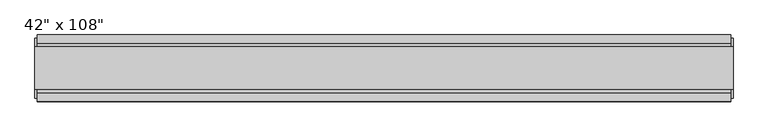
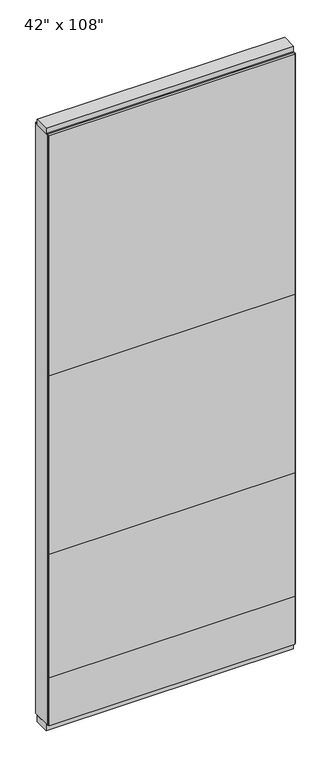
"""IFC4 building model written with IfcOpenShell, lengths in millimetres: furniture geometry."""

from ifc_helpers import new_model, si_unit, frame, origin, origin_with_axes, place, context, project, spatial, polyline, outline, extrude, source, transform, mapped, element, save


def furniture_0f782bee(model_context):
    return source(origin(), model_context, "Body", "SweptSolid", [
        extrude(outline(polyline([(469.4264771, 46.2822784), (469.4264771, 33.5822784), (-589.4995229, 33.5822784), (-589.4995229, 46.2822784), (469.4264771, 46.2822784)])), frame((0.0, 0.0, 1625.6), z_axis=(0.0, 0.0, 1.0), x_axis=(1.0, 0.0, 0.0)), (0.0, 0.0, 1.0), 1092.2),
        extrude(outline(polyline([(469.4264771, 46.2822784), (469.4264771, 33.5822784), (-589.4995229, 33.5822784), (-589.4995229, 46.2822784), (469.4264771, 46.2822784)])), frame((0.0, 0.0, 812.8), z_axis=(0.0, 0.0, 1.0), x_axis=(1.0, 0.0, 0.0)), (0.0, 0.0, 1.0), 812.8),
        extrude(outline(polyline([(469.4264771, 46.2822784), (469.4264771, 33.5822784), (-589.4995229, 33.5822784), (-589.4995229, 46.2822784), (469.4264771, 46.2822784)])), frame((0.0, 0.0, 249.936), z_axis=(0.0, 0.0, 1.0), x_axis=(1.0, 0.0, 0.0)), (0.0, 0.0, 1.0), 562.864),
        extrude(outline(polyline([(469.4264771, -55.3177216), (-589.4995229, -55.3177216), (-589.4995229, -42.6177216), (469.4264771, -42.6177216), (469.4264771, -55.3177216)])), frame((0.0, 0.0, 1625.6), z_axis=(0.0, 0.0, 1.0), x_axis=(1.0, 0.0, 0.0)), (0.0, 0.0, 1.0), 1092.2),
        extrude(outline(polyline([(469.4264771, -55.3177216), (-589.4995229, -55.3177216), (-589.4995229, -42.6177216), (469.4264771, -42.6177216), (469.4264771, -55.3177216)])), frame((0.0, 0.0, 812.8), z_axis=(0.0, 0.0, 1.0), x_axis=(1.0, 0.0, 0.0)), (0.0, 0.0, 1.0), 812.8),
        extrude(outline(polyline([(469.4264771, -55.3177216), (-589.4995229, -55.3177216), (-589.4995229, -42.6177216), (469.4264771, -42.6177216), (469.4264771, -55.3177216)])), frame((0.0, 0.0, 249.936), z_axis=(0.0, 0.0, 1.0), x_axis=(1.0, 0.0, 0.0)), (0.0, 0.0, 1.0), 562.864),
        extrude(outline(polyline([(469.4264771, 46.2822784), (469.4264771, 33.5822784), (-589.4995229, 33.5822784), (-589.4995229, 46.2822784), (469.4264771, 46.2822784)])), frame((0.0, 0.0, 31.75), z_axis=(0.0, 0.0, 1.0), x_axis=(1.0, 0.0, 0.0)), (0.0, 0.0, 1.0), 218.186),
        extrude(outline(polyline([(469.4264771, -55.3177216), (-589.4995229, -55.3177216), (-589.4995229, -42.6177216), (469.4264771, -42.6177216), (469.4264771, -55.3177216)])), frame((0.0, 0.0, 31.75), z_axis=(0.0, 0.0, 1.0), x_axis=(1.0, 0.0, 0.0)), (0.0, 0.0, 1.0), 218.186),
        extrude(outline(polyline([(-42.6177216, 2681.478), (-42.6177216, 2717.8), (33.5822784, 2717.8), (33.5822784, 2681.478), (28.6292784, 2681.478), (28.6292784, 2676.525), (-37.6647216, 2676.525), (-37.6647216, 2681.478), (-42.6177216, 2681.478)])), frame((-589.4995229, 0.0, 0.0), z_axis=(1.0, 0.0, 0.0), x_axis=(0.0, 1.0, 0.0)), (0.0, 0.0, 1.0), 1058.926),
        extrude(outline(polyline([(473.3634771, 27.9942784), (473.3634771, -37.0297216), (-593.4365229, -37.0297216), (-593.4365229, 27.9942784), (473.3634771, 27.9942784)])), origin_with_axes(), (0.0, 0.0, 1.0), 31.75),
        extrude(outline(polyline([(-593.4365229, -37.0297216), (-593.4365229, 27.9942784), (473.3634771, 27.9942784), (473.3634771, -37.0297216), (-593.4365229, -37.0297216)])), frame((0.0, 0.0, 2717.8), z_axis=(0.0, 0.0, 1.0), x_axis=(1.0, 0.0, 0.0)), (0.0, 0.0, 1.0), 25.4),
        extrude(outline(polyline([(473.3634771, -50.3647216), (469.4264771, -50.3647216), (469.4264771, 41.3292784), (473.3634771, 41.3292784), (473.3634771, -50.3647216)])), frame((0.0, 0.0, 31.75), z_axis=(0.0, 0.0, 1.0), x_axis=(1.0, 0.0, 0.0)), (0.0, 0.0, 1.0), 2686.05),
        extrude(outline(polyline([(-593.4365229, -50.3647216), (-593.4365229, 41.3292784), (-589.4995229, 41.3292784), (-589.4995229, -50.3647216), (-593.4365229, -50.3647216)])), frame((0.0, 0.0, 31.75), z_axis=(0.0, 0.0, 1.0), x_axis=(1.0, 0.0, 0.0)), (0.0, 0.0, 1.0), 2686.05),
    ])


if __name__ == "__main__":
    model = new_model("IFC4")
    model_context = context("Model", 3, world=origin())
    ifc_project = project(units=[si_unit("LENGTHUNIT", "METRE", prefix="MILLI")], contexts=[model_context])
    site = spatial("IfcSite", under=ifc_project)
    building = spatial("IfcBuilding", under=site)
    placement = place(None, origin())
    furniture_shape = furniture_0f782bee(model_context)
    element("IfcFurniture", 1, ObjectType="42\" x 108\"", at=placement, inside=building, context=model_context, shape_type="MappedRepresentation", body=[
        mapped(furniture_shape, transform((0.0, 0.0, 0.0), x_axis=(1.0, 0.0, 0.0), y_axis=(0.0, 1.0, 0.0), z_axis=(0.0, 0.0, 1.0))),
    ])
    save(model, "model.ifc")
